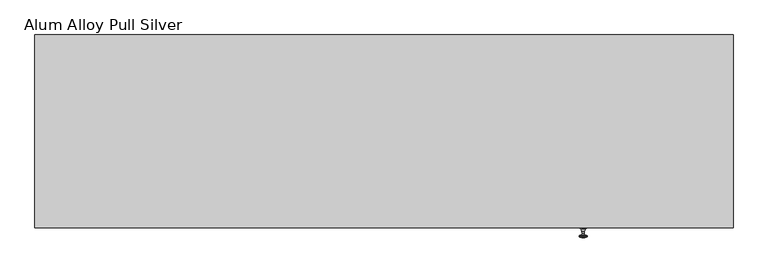
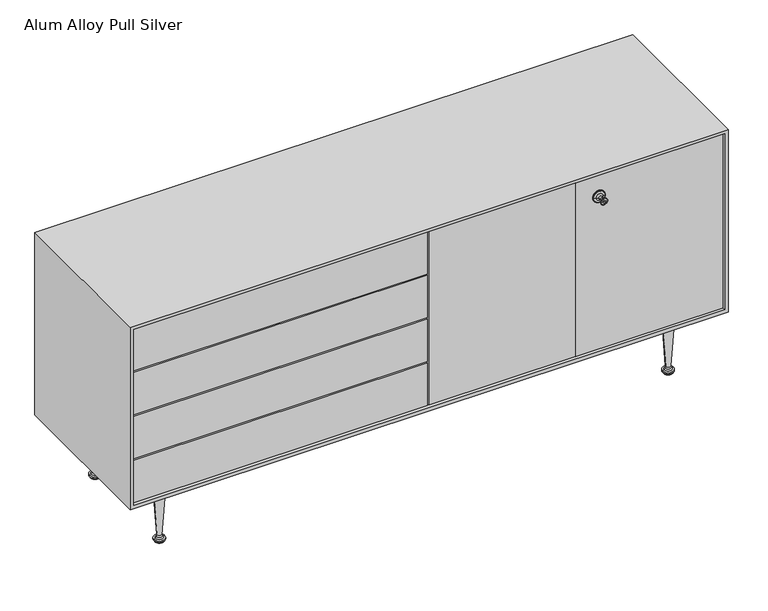
"""IFC4 building model written with IfcOpenShell, lengths in millimetres: furniture geometry, Alum Alloy Pull Silver."""

from ifc_helpers import new_model, si_unit, point, frame, origin, place, context, project, spatial, polyline, circle_curve, ellipse_curve, trimmed, outline, extrude, faceted_brep, source, transform, mapped, element, save
from ifc_brep_helpers import plane_surface, cylinder_surface, revolved_surface, advanced_brep


def alum_alloy_pull_silver_9a217daf(model_context):
    return source(origin(), model_context, "Body", "SolidModel", [
        advanced_brep(
        [(724.408, 158.75, 0.0), (735.7158204, 158.75, 0.0), (713.1001796, 158.75, 0.0), (737.2398203, 158.75, 1.524), (711.5761797, 158.75, 1.524), (737.2398203, 158.75, 3.1750001), (711.5761797, 158.75, 3.1750001), (738.094193, 158.75, 3.1750001), (710.721807, 158.75, 3.1750001), (738.094193, 158.75, 6.3500002), (710.721807, 158.75, 6.3500002), (740.3454356, 158.75, 6.3500002), (708.4705644, 158.75, 6.3500002), (740.3454356, 158.75, 9.525), (708.4705644, 158.75, 9.525), (735.6870081, 158.75, 10.8011076), (713.1289919, 158.75, 10.8011076), (732.2768057, 158.75, 14.2875), (716.5391943, 158.75, 14.2875), (731.0285806, 158.75, 19.05), (717.7874194, 158.75, 19.05), (740.6559999, 158.75, 168.2749939), (708.1600001, 158.75, 168.2749939), (741.9042249, 158.75, 173.0374939), (706.9117751, 158.75, 173.0374939), (745.3144274, 158.75, 176.5238909), (703.5015726, 158.75, 176.5238909), (749.9728549, 158.75, 177.7999939), (698.8431451, 158.75, 177.7999939), (761.4636506, 158.75, 177.7999939), (687.3523494, 158.75, 177.7999939), (761.4636506, 158.75, 184.15), (687.3523494, 158.75, 184.15), (724.408, 158.75, 184.15)],
        [
            (0, 1),
            (1, 2, circle_curve(frame((724.408, 158.75, 0.0), z_axis=(0.0, 0.0, -1.0), x_axis=(1.0, 0.0, 0.0)), 11.3078204)),
            (2, 0),
            (2, 1, circle_curve(frame((724.408, 158.75, 0.0), z_axis=(0.0, 0.0, -1.0), x_axis=(1.0, 0.0, 0.0)), 11.3078204)),
            (1, 3),
            (3, 4, circle_curve(frame((724.408, 158.75, 1.524), z_axis=(0.0, 0.0, -1.0), x_axis=(1.0, 0.0, 0.0)), 12.8318203)),
            (4, 2),
            (4, 3, circle_curve(frame((724.408, 158.75, 1.524), z_axis=(0.0, 0.0, -1.0), x_axis=(1.0, 0.0, 0.0)), 12.8318203)),
            (3, 5),
            (5, 6, circle_curve(frame((724.408, 158.75, 3.1750001), z_axis=(0.0, 0.0, -1.0), x_axis=(1.0, 0.0, 0.0)), 12.8318203)),
            (6, 4),
            (6, 5, circle_curve(frame((724.408, 158.75, 3.1750001), z_axis=(0.0, 0.0, -1.0), x_axis=(1.0, 0.0, 0.0)), 12.8318203)),
            (5, 7),
            (7, 8, circle_curve(frame((724.408, 158.75, 3.1750001), z_axis=(0.0, 0.0, -1.0), x_axis=(1.0, 0.0, 0.0)), 13.686193)),
            (8, 6),
            (8, 7, circle_curve(frame((724.408, 158.75, 3.1750001), z_axis=(0.0, 0.0, -1.0), x_axis=(1.0, 0.0, 0.0)), 13.686193)),
            (7, 9),
            (9, 10, circle_curve(frame((724.408, 158.75, 6.3500002), z_axis=(0.0, 0.0, -1.0), x_axis=(1.0, 0.0, 0.0)), 13.686193)),
            (10, 8),
            (10, 9, circle_curve(frame((724.408, 158.75, 6.3500002), z_axis=(0.0, 0.0, -1.0), x_axis=(1.0, 0.0, 0.0)), 13.686193)),
            (9, 11),
            (11, 12, circle_curve(frame((724.408, 158.75, 6.3500002), z_axis=(0.0, 0.0, -1.0), x_axis=(1.0, 0.0, 0.0)), 15.9374356)),
            (12, 10),
            (12, 11, circle_curve(frame((724.408, 158.75, 6.3500002), z_axis=(0.0, 0.0, -1.0), x_axis=(1.0, 0.0, 0.0)), 15.9374356)),
            (11, 13),
            (13, 14, circle_curve(frame((724.408, 158.75, 9.525), z_axis=(0.0, 0.0, -1.0), x_axis=(1.0, 0.0, 0.0)), 15.9374356)),
            (14, 12),
            (14, 13, circle_curve(frame((724.408, 158.75, 9.525), z_axis=(0.0, 0.0, -1.0), x_axis=(1.0, 0.0, 0.0)), 15.9374356)),
            (13, 15),
            (15, 16, circle_curve(frame((724.408, 158.75, 10.8011076), z_axis=(0.0, 0.0, -1.0), x_axis=(1.0, 0.0, 0.0)), 11.2790081)),
            (16, 14),
            (16, 15, circle_curve(frame((724.408, 158.75, 10.8011076), z_axis=(0.0, 0.0, -1.0), x_axis=(1.0, 0.0, 0.0)), 11.2790081)),
            (15, 17),
            (17, 18, circle_curve(frame((724.408, 158.75, 14.2875), z_axis=(0.0, 0.0, -1.0), x_axis=(1.0, 0.0, 0.0)), 7.8688057)),
            (18, 16),
            (18, 17, circle_curve(frame((724.408, 158.75, 14.2875), z_axis=(0.0, 0.0, -1.0), x_axis=(1.0, 0.0, 0.0)), 7.8688057)),
            (17, 19),
            (19, 20, circle_curve(frame((724.408, 158.75, 19.05), z_axis=(0.0, 0.0, -1.0), x_axis=(1.0, 0.0, 0.0)), 6.6205806)),
            (20, 18),
            (20, 19, circle_curve(frame((724.408, 158.75, 19.05), z_axis=(0.0, 0.0, -1.0), x_axis=(1.0, 0.0, 0.0)), 6.6205806)),
            (19, 21),
            (21, 22, circle_curve(frame((724.408, 158.75, 168.2749939), z_axis=(0.0, 0.0, -1.0), x_axis=(1.0, 0.0, 0.0)), 16.2479999)),
            (22, 20),
            (22, 21, circle_curve(frame((724.408, 158.75, 168.2749939), z_axis=(0.0, 0.0, -1.0), x_axis=(1.0, 0.0, 0.0)), 16.2479999)),
            (21, 23),
            (23, 24, circle_curve(frame((724.408, 158.75, 173.0374939), z_axis=(0.0, 0.0, -1.0), x_axis=(1.0, 0.0, 0.0)), 17.4962249)),
            (24, 22),
            (24, 23, circle_curve(frame((724.408, 158.75, 173.0374939), z_axis=(0.0, 0.0, -1.0), x_axis=(1.0, 0.0, 0.0)), 17.4962249)),
            (23, 25),
            (25, 26, circle_curve(frame((724.408, 158.75, 176.5238909), z_axis=(0.0, 0.0, -1.0), x_axis=(1.0, 0.0, 0.0)), 20.9064274)),
            (26, 24),
            (26, 25, circle_curve(frame((724.408, 158.75, 176.5238909), z_axis=(0.0, 0.0, -1.0), x_axis=(1.0, 0.0, 0.0)), 20.9064274)),
            (25, 27),
            (27, 28, circle_curve(frame((724.408, 158.75, 177.7999939), z_axis=(0.0, 0.0, -1.0), x_axis=(1.0, 0.0, 0.0)), 25.5648549)),
            (28, 26),
            (28, 27, circle_curve(frame((724.408, 158.75, 177.7999939), z_axis=(0.0, 0.0, -1.0), x_axis=(1.0, 0.0, 0.0)), 25.5648549)),
            (27, 29),
            (29, 30, circle_curve(frame((724.408, 158.75, 177.7999939), z_axis=(0.0, 0.0, -1.0), x_axis=(1.0, 0.0, 0.0)), 37.0556506)),
            (30, 28),
            (30, 29, circle_curve(frame((724.408, 158.75, 177.7999939), z_axis=(0.0, 0.0, -1.0), x_axis=(1.0, 0.0, 0.0)), 37.0556506)),
            (29, 31),
            (31, 32, circle_curve(frame((724.408, 158.75, 184.15), z_axis=(0.0, 0.0, -1.0), x_axis=(1.0, 0.0, 0.0)), 37.0556506)),
            (32, 30),
            (32, 31, circle_curve(frame((724.408, 158.75, 184.15), z_axis=(0.0, 0.0, -1.0), x_axis=(1.0, 0.0, 0.0)), 37.0556506)),
            (31, 33),
            (33, 32),
        ],
        [
            plane_surface(frame((724.408, 158.75, 0.0), z_axis=(0.0, 0.0, -1.0), x_axis=(1.0, 0.0, 0.0))),
            revolved_surface(polyline([(737.2398203, 158.75, 1.524), (735.7158204, 158.75, 0.0)]), (724.408, 158.75, 0.0), (0.0, 0.0, -1.0)),
            cylinder_surface(frame((724.408, 158.75, 0.0), z_axis=(0.0, 0.0, -1.0), x_axis=(1.0, 0.0, 0.0)), 12.8318203),
            plane_surface(frame((724.408, 158.75, 3.1750001), z_axis=(0.0, 0.0, -1.0), x_axis=(1.0, 0.0, 0.0))),
            cylinder_surface(frame((724.408, 158.75, 0.0), z_axis=(0.0, 0.0, -1.0), x_axis=(1.0, 0.0, 0.0)), 13.686193),
            plane_surface(frame((724.408, 158.75, 6.3500002), z_axis=(0.0, 0.0, -1.0), x_axis=(1.0, 0.0, 0.0))),
            cylinder_surface(frame((724.408, 158.75, 0.0), z_axis=(0.0, 0.0, -1.0), x_axis=(1.0, 0.0, 0.0)), 15.9374356),
            revolved_surface(polyline([(735.6870081, 158.75, 10.8011076), (740.3454356, 158.75, 9.525)]), (724.408, 158.75, 0.0), (0.0, 0.0, -1.0)),
            revolved_surface(polyline([(732.2768057, 158.75, 14.2875), (735.6870081, 158.75, 10.8011076)]), (724.408, 158.75, 0.0), (0.0, 0.0, -1.0)),
            revolved_surface(polyline([(731.0285806, 158.75, 19.05), (732.2768057, 158.75, 14.2875)]), (724.408, 158.75, 0.0), (0.0, 0.0, -1.0)),
            revolved_surface(polyline([(740.6559999, 158.75, 168.2749939), (731.0285806, 158.75, 19.05)]), (724.408, 158.75, 0.0), (0.0, 0.0, -1.0)),
            revolved_surface(polyline([(741.9042249, 158.75, 173.0374939), (740.6559999, 158.75, 168.2749939)]), (724.408, 158.75, 0.0), (0.0, 0.0, -1.0)),
            revolved_surface(polyline([(745.3144274, 158.75, 176.5238909), (741.9042249, 158.75, 173.0374939)]), (724.408, 158.75, 0.0), (0.0, 0.0, -1.0)),
            revolved_surface(polyline([(749.9728549, 158.75, 177.7999939), (745.3144274, 158.75, 176.5238909)]), (724.408, 158.75, 0.0), (0.0, 0.0, -1.0)),
            plane_surface(frame((724.408, 158.75, 177.7999939), z_axis=(0.0, 0.0, -1.0), x_axis=(1.0, 0.0, 0.0))),
            cylinder_surface(frame((724.408, 158.75, 0.0), z_axis=(0.0, 0.0, -1.0), x_axis=(1.0, 0.0, 0.0)), 37.0556506),
            plane_surface(frame((724.408, 158.75, 184.15), z_axis=(0.0, 0.0, 1.0), x_axis=(1.0, 0.0, 0.0))),
        ],
        [
            (0, [[1, 2, 3]]),
            (0, [[-3, 4, -1]]),
            (1, [[-2, 5, 6, 7]]),
            (1, [[-4, -7, 8, -5]]),
            (2, [[-6, 9, 10, 11]]),
            (2, [[-8, -11, 12, -9]]),
            (3, [[-10, 13, 14, 15]]),
            (3, [[-12, -15, 16, -13]]),
            (4, [[-14, 17, 18, 19]]),
            (4, [[-16, -19, 20, -17]]),
            (5, [[-18, 21, 22, 23]]),
            (5, [[-20, -23, 24, -21]]),
            (6, [[-22, 25, 26, 27]]),
            (6, [[-24, -27, 28, -25]]),
            (7, [[-26, 29, 30, 31]]),
            (7, [[-28, -31, 32, -29]]),
            (8, [[-30, 33, 34, 35]]),
            (8, [[-32, -35, 36, -33]]),
            (9, [[-34, 37, 38, 39]]),
            (9, [[-36, -39, 40, -37]]),
            (10, [[-38, 41, 42, 43]]),
            (10, [[-40, -43, 44, -41]]),
            (11, [[-42, 45, 46, 47]]),
            (11, [[-44, -47, 48, -45]]),
            (12, [[-46, 49, 50, 51]]),
            (12, [[-48, -51, 52, -49]]),
            (13, [[-50, 53, 54, 55]]),
            (13, [[-52, -55, 56, -53]]),
            (14, [[-54, 57, 58, 59]]),
            (14, [[-56, -59, 60, -57]]),
            (15, [[-58, 61, 62, 63]]),
            (15, [[-60, -63, 64, -61]]),
            (16, [[-62, 65, 66]]),
            (16, [[-64, -66, -65]]),
        ],
    ),
        advanced_brep(
        [(-724.408, 158.75, 0.0), (-713.1001796, 158.75, 0.0), (-735.7158204, 158.75, 0.0), (-711.5761797, 158.75, 1.524), (-737.2398203, 158.75, 1.524), (-711.5761797, 158.75, 3.1750001), (-737.2398203, 158.75, 3.1750001), (-710.721807, 158.75, 3.1750001), (-738.094193, 158.75, 3.1750001), (-710.721807, 158.75, 6.3500002), (-738.094193, 158.75, 6.3500002), (-708.4705644, 158.75, 6.3500002), (-740.3454356, 158.75, 6.3500002), (-708.4705644, 158.75, 9.525), (-740.3454356, 158.75, 9.525), (-713.1289919, 158.75, 10.8011076), (-735.6870081, 158.75, 10.8011076), (-716.5391943, 158.75, 14.2875), (-732.2768057, 158.75, 14.2875), (-717.7874194, 158.75, 19.05), (-731.0285806, 158.75, 19.05), (-708.1600001, 158.75, 168.2749939), (-740.6559999, 158.75, 168.2749939), (-706.9117751, 158.75, 173.0374939), (-741.9042249, 158.75, 173.0374939), (-703.5015726, 158.75, 176.5238909), (-745.3144274, 158.75, 176.5238909), (-698.8431451, 158.75, 177.7999939), (-749.9728549, 158.75, 177.7999939), (-687.3523494, 158.75, 177.7999939), (-761.4636506, 158.75, 177.7999939), (-687.3523494, 158.75, 184.15), (-761.4636506, 158.75, 184.15), (-724.408, 158.75, 184.15)],
        [
            (0, 1),
            (1, 2, circle_curve(frame((-724.408, 158.75, 0.0), z_axis=(0.0, 0.0, -1.0), x_axis=(1.0, 0.0, 0.0)), 11.3078204)),
            (2, 0),
            (2, 1, circle_curve(frame((-724.408, 158.75, 0.0), z_axis=(0.0, 0.0, -1.0), x_axis=(1.0, 0.0, 0.0)), 11.3078204)),
            (1, 3),
            (3, 4, circle_curve(frame((-724.408, 158.75, 1.524), z_axis=(0.0, 0.0, -1.0), x_axis=(1.0, 0.0, 0.0)), 12.8318203)),
            (4, 2),
            (4, 3, circle_curve(frame((-724.408, 158.75, 1.524), z_axis=(0.0, 0.0, -1.0), x_axis=(1.0, 0.0, 0.0)), 12.8318203)),
            (3, 5),
            (5, 6, circle_curve(frame((-724.408, 158.75, 3.1750001), z_axis=(0.0, 0.0, -1.0), x_axis=(1.0, 0.0, 0.0)), 12.8318203)),
            (6, 4),
            (6, 5, circle_curve(frame((-724.408, 158.75, 3.1750001), z_axis=(0.0, 0.0, -1.0), x_axis=(1.0, 0.0, 0.0)), 12.8318203)),
            (5, 7),
            (7, 8, circle_curve(frame((-724.408, 158.75, 3.1750001), z_axis=(0.0, 0.0, -1.0), x_axis=(1.0, 0.0, 0.0)), 13.686193)),
            (8, 6),
            (8, 7, circle_curve(frame((-724.408, 158.75, 3.1750001), z_axis=(0.0, 0.0, -1.0), x_axis=(1.0, 0.0, 0.0)), 13.686193)),
            (7, 9),
            (9, 10, circle_curve(frame((-724.408, 158.75, 6.3500002), z_axis=(0.0, 0.0, -1.0), x_axis=(1.0, 0.0, 0.0)), 13.686193)),
            (10, 8),
            (10, 9, circle_curve(frame((-724.408, 158.75, 6.3500002), z_axis=(0.0, 0.0, -1.0), x_axis=(1.0, 0.0, 0.0)), 13.686193)),
            (9, 11),
            (11, 12, circle_curve(frame((-724.408, 158.75, 6.3500002), z_axis=(0.0, 0.0, -1.0), x_axis=(1.0, 0.0, 0.0)), 15.9374356)),
            (12, 10),
            (12, 11, circle_curve(frame((-724.408, 158.75, 6.3500002), z_axis=(0.0, 0.0, -1.0), x_axis=(1.0, 0.0, 0.0)), 15.9374356)),
            (11, 13),
            (13, 14, circle_curve(frame((-724.408, 158.75, 9.525), z_axis=(0.0, 0.0, -1.0), x_axis=(1.0, 0.0, 0.0)), 15.9374356)),
            (14, 12),
            (14, 13, circle_curve(frame((-724.408, 158.75, 9.525), z_axis=(0.0, 0.0, -1.0), x_axis=(1.0, 0.0, 0.0)), 15.9374356)),
            (13, 15),
            (15, 16, circle_curve(frame((-724.408, 158.75, 10.8011076), z_axis=(0.0, 0.0, -1.0), x_axis=(1.0, 0.0, 0.0)), 11.2790081)),
            (16, 14),
            (16, 15, circle_curve(frame((-724.408, 158.75, 10.8011076), z_axis=(0.0, 0.0, -1.0), x_axis=(1.0, 0.0, 0.0)), 11.2790081)),
            (15, 17),
            (17, 18, circle_curve(frame((-724.408, 158.75, 14.2875), z_axis=(0.0, 0.0, -1.0), x_axis=(1.0, 0.0, 0.0)), 7.8688057)),
            (18, 16),
            (18, 17, circle_curve(frame((-724.408, 158.75, 14.2875), z_axis=(0.0, 0.0, -1.0), x_axis=(1.0, 0.0, 0.0)), 7.8688057)),
            (17, 19),
            (19, 20, circle_curve(frame((-724.408, 158.75, 19.05), z_axis=(0.0, 0.0, -1.0), x_axis=(1.0, 0.0, 0.0)), 6.6205806)),
            (20, 18),
            (20, 19, circle_curve(frame((-724.408, 158.75, 19.05), z_axis=(0.0, 0.0, -1.0), x_axis=(1.0, 0.0, 0.0)), 6.6205806)),
            (19, 21),
            (21, 22, circle_curve(frame((-724.408, 158.75, 168.2749939), z_axis=(0.0, 0.0, -1.0), x_axis=(1.0, 0.0, 0.0)), 16.2479999)),
            (22, 20),
            (22, 21, circle_curve(frame((-724.408, 158.75, 168.2749939), z_axis=(0.0, 0.0, -1.0), x_axis=(1.0, 0.0, 0.0)), 16.2479999)),
            (21, 23),
            (23, 24, circle_curve(frame((-724.408, 158.75, 173.0374939), z_axis=(0.0, 0.0, -1.0), x_axis=(1.0, 0.0, 0.0)), 17.4962249)),
            (24, 22),
            (24, 23, circle_curve(frame((-724.408, 158.75, 173.0374939), z_axis=(0.0, 0.0, -1.0), x_axis=(1.0, 0.0, 0.0)), 17.4962249)),
            (23, 25),
            (25, 26, circle_curve(frame((-724.408, 158.75, 176.5238909), z_axis=(0.0, 0.0, -1.0), x_axis=(1.0, 0.0, 0.0)), 20.9064274)),
            (26, 24),
            (26, 25, circle_curve(frame((-724.408, 158.75, 176.5238909), z_axis=(0.0, 0.0, -1.0), x_axis=(1.0, 0.0, 0.0)), 20.9064274)),
            (25, 27),
            (27, 28, circle_curve(frame((-724.408, 158.75, 177.7999939), z_axis=(0.0, 0.0, -1.0), x_axis=(1.0, 0.0, 0.0)), 25.5648549)),
            (28, 26),
            (28, 27, circle_curve(frame((-724.408, 158.75, 177.7999939), z_axis=(0.0, 0.0, -1.0), x_axis=(1.0, 0.0, 0.0)), 25.5648549)),
            (27, 29),
            (29, 30, circle_curve(frame((-724.408, 158.75, 177.7999939), z_axis=(0.0, 0.0, -1.0), x_axis=(1.0, 0.0, 0.0)), 37.0556506)),
            (30, 28),
            (30, 29, circle_curve(frame((-724.408, 158.75, 177.7999939), z_axis=(0.0, 0.0, -1.0), x_axis=(1.0, 0.0, 0.0)), 37.0556506)),
            (29, 31),
            (31, 32, circle_curve(frame((-724.408, 158.75, 184.15), z_axis=(0.0, 0.0, -1.0), x_axis=(1.0, 0.0, 0.0)), 37.0556506)),
            (32, 30),
            (32, 31, circle_curve(frame((-724.408, 158.75, 184.15), z_axis=(0.0, 0.0, -1.0), x_axis=(1.0, 0.0, 0.0)), 37.0556506)),
            (31, 33),
            (33, 32),
        ],
        [
            plane_surface(frame((-724.408, 158.75, 0.0), z_axis=(0.0, 0.0, -1.0), x_axis=(1.0, 0.0, 0.0))),
            revolved_surface(polyline([(-711.5761797, 158.75, 1.524), (-713.1001796, 158.75, 0.0)]), (-724.408, 158.75, 0.0), (0.0, 0.0, -1.0)),
            cylinder_surface(frame((-724.408, 158.75, 0.0), z_axis=(0.0, 0.0, -1.0), x_axis=(1.0, 0.0, 0.0)), 12.8318203),
            plane_surface(frame((-724.408, 158.75, 3.1750001), z_axis=(0.0, 0.0, -1.0), x_axis=(1.0, 0.0, 0.0))),
            cylinder_surface(frame((-724.408, 158.75, 0.0), z_axis=(0.0, 0.0, -1.0), x_axis=(1.0, 0.0, 0.0)), 13.686193),
            plane_surface(frame((-724.408, 158.75, 6.3500002), z_axis=(0.0, 0.0, -1.0), x_axis=(1.0, 0.0, 0.0))),
            cylinder_surface(frame((-724.408, 158.75, 0.0), z_axis=(0.0, 0.0, -1.0), x_axis=(1.0, 0.0, 0.0)), 15.9374356),
            revolved_surface(polyline([(-713.1289919, 158.75, 10.8011076), (-708.4705644, 158.75, 9.525)]), (-724.408, 158.75, 0.0), (0.0, 0.0, -1.0)),
            revolved_surface(polyline([(-716.5391943, 158.75, 14.2875), (-713.1289919, 158.75, 10.8011076)]), (-724.408, 158.75, 0.0), (0.0, 0.0, -1.0)),
            revolved_surface(polyline([(-717.7874194, 158.75, 19.05), (-716.5391943, 158.75, 14.2875)]), (-724.408, 158.75, 0.0), (0.0, 0.0, -1.0)),
            revolved_surface(polyline([(-708.1600001, 158.75, 168.2749939), (-717.7874194, 158.75, 19.05)]), (-724.408, 158.75, 0.0), (0.0, 0.0, -1.0)),
            revolved_surface(polyline([(-706.9117751, 158.75, 173.0374939), (-708.1600001, 158.75, 168.2749939)]), (-724.408, 158.75, 0.0), (0.0, 0.0, -1.0)),
            revolved_surface(polyline([(-703.5015726, 158.75, 176.5238909), (-706.9117751, 158.75, 173.0374939)]), (-724.408, 158.75, 0.0), (0.0, 0.0, -1.0)),
            revolved_surface(polyline([(-698.8431451, 158.75, 177.7999939), (-703.5015726, 158.75, 176.5238909)]), (-724.408, 158.75, 0.0), (0.0, 0.0, -1.0)),
            plane_surface(frame((-724.408, 158.75, 177.7999939), z_axis=(0.0, 0.0, -1.0), x_axis=(1.0, 0.0, 0.0))),
            cylinder_surface(frame((-724.408, 158.75, 0.0), z_axis=(0.0, 0.0, -1.0), x_axis=(1.0, 0.0, 0.0)), 37.0556506),
            plane_surface(frame((-724.408, 158.75, 184.15), z_axis=(0.0, 0.0, 1.0), x_axis=(1.0, 0.0, 0.0))),
        ],
        [
            (0, [[1, 2, 3]]),
            (0, [[-3, 4, -1]]),
            (1, [[-2, 5, 6, 7]]),
            (1, [[-4, -7, 8, -5]]),
            (2, [[-6, 9, 10, 11]]),
            (2, [[-8, -11, 12, -9]]),
            (3, [[-10, 13, 14, 15]]),
            (3, [[-12, -15, 16, -13]]),
            (4, [[-14, 17, 18, 19]]),
            (4, [[-16, -19, 20, -17]]),
            (5, [[-18, 21, 22, 23]]),
            (5, [[-20, -23, 24, -21]]),
            (6, [[-22, 25, 26, 27]]),
            (6, [[-24, -27, 28, -25]]),
            (7, [[-26, 29, 30, 31]]),
            (7, [[-28, -31, 32, -29]]),
            (8, [[-30, 33, 34, 35]]),
            (8, [[-32, -35, 36, -33]]),
            (9, [[-34, 37, 38, 39]]),
            (9, [[-36, -39, 40, -37]]),
            (10, [[-38, 41, 42, 43]]),
            (10, [[-40, -43, 44, -41]]),
            (11, [[-42, 45, 46, 47]]),
            (11, [[-44, -47, 48, -45]]),
            (12, [[-46, 49, 50, 51]]),
            (12, [[-48, -51, 52, -49]]),
            (13, [[-50, 53, 54, 55]]),
            (13, [[-52, -55, 56, -53]]),
            (14, [[-54, 57, 58, 59]]),
            (14, [[-56, -59, 60, -57]]),
            (15, [[-58, 61, 62, 63]]),
            (15, [[-60, -63, 64, -61]]),
            (16, [[-62, 65, 66]]),
            (16, [[-64, -66, -65]]),
        ],
    ),
        advanced_brep(
        [(724.408, -158.75, 0.0), (735.7158204, -158.75, 0.0), (713.1001796, -158.75, 0.0), (737.2398203, -158.75, 1.524), (711.5761797, -158.75, 1.524), (737.2398203, -158.75, 3.1750001), (711.5761797, -158.75, 3.1750001), (738.094193, -158.75, 3.1750001), (710.721807, -158.75, 3.1750001), (738.094193, -158.75, 6.3500002), (710.721807, -158.75, 6.3500002), (740.3454356, -158.75, 6.3500002), (708.4705644, -158.75, 6.3500002), (740.3454356, -158.75, 9.525), (708.4705644, -158.75, 9.525), (735.6870081, -158.75, 10.8011076), (713.1289919, -158.75, 10.8011076), (732.2768057, -158.75, 14.2875), (716.5391943, -158.75, 14.2875), (731.0285806, -158.75, 19.05), (717.7874194, -158.75, 19.05), (740.6559999, -158.75, 168.2749939), (708.1600001, -158.75, 168.2749939), (741.9042249, -158.75, 173.0374939), (706.9117751, -158.75, 173.0374939), (745.3144274, -158.75, 176.5238909), (703.5015726, -158.75, 176.5238909), (749.9728549, -158.75, 177.7999939), (698.8431451, -158.75, 177.7999939), (761.4636506, -158.75, 177.7999939), (687.3523494, -158.75, 177.7999939), (761.4636506, -158.75, 184.15), (687.3523494, -158.75, 184.15), (724.408, -158.75, 184.15)],
        [
            (0, 1),
            (1, 2, circle_curve(frame((724.408, -158.75, 0.0), z_axis=(0.0, 0.0, -1.0), x_axis=(1.0, 0.0, 0.0)), 11.3078204)),
            (2, 0),
            (2, 1, circle_curve(frame((724.408, -158.75, 0.0), z_axis=(0.0, 0.0, -1.0), x_axis=(1.0, 0.0, 0.0)), 11.3078204)),
            (1, 3),
            (3, 4, circle_curve(frame((724.408, -158.75, 1.524), z_axis=(0.0, 0.0, -1.0), x_axis=(1.0, 0.0, 0.0)), 12.8318203)),
            (4, 2),
            (4, 3, circle_curve(frame((724.408, -158.75, 1.524), z_axis=(0.0, 0.0, -1.0), x_axis=(1.0, 0.0, 0.0)), 12.8318203)),
            (3, 5),
            (5, 6, circle_curve(frame((724.408, -158.75, 3.1750001), z_axis=(0.0, 0.0, -1.0), x_axis=(1.0, 0.0, 0.0)), 12.8318203)),
            (6, 4),
            (6, 5, circle_curve(frame((724.408, -158.75, 3.1750001), z_axis=(0.0, 0.0, -1.0), x_axis=(1.0, 0.0, 0.0)), 12.8318203)),
            (5, 7),
            (7, 8, circle_curve(frame((724.408, -158.75, 3.1750001), z_axis=(0.0, 0.0, -1.0), x_axis=(1.0, 0.0, 0.0)), 13.686193)),
            (8, 6),
            (8, 7, circle_curve(frame((724.408, -158.75, 3.1750001), z_axis=(0.0, 0.0, -1.0), x_axis=(1.0, 0.0, 0.0)), 13.686193)),
            (7, 9),
            (9, 10, circle_curve(frame((724.408, -158.75, 6.3500002), z_axis=(0.0, 0.0, -1.0), x_axis=(1.0, 0.0, 0.0)), 13.686193)),
            (10, 8),
            (10, 9, circle_curve(frame((724.408, -158.75, 6.3500002), z_axis=(0.0, 0.0, -1.0), x_axis=(1.0, 0.0, 0.0)), 13.686193)),
            (9, 11),
            (11, 12, circle_curve(frame((724.408, -158.75, 6.3500002), z_axis=(0.0, 0.0, -1.0), x_axis=(1.0, 0.0, 0.0)), 15.9374356)),
            (12, 10),
            (12, 11, circle_curve(frame((724.408, -158.75, 6.3500002), z_axis=(0.0, 0.0, -1.0), x_axis=(1.0, 0.0, 0.0)), 15.9374356)),
            (11, 13),
            (13, 14, circle_curve(frame((724.408, -158.75, 9.525), z_axis=(0.0, 0.0, -1.0), x_axis=(1.0, 0.0, 0.0)), 15.9374356)),
            (14, 12),
            (14, 13, circle_curve(frame((724.408, -158.75, 9.525), z_axis=(0.0, 0.0, -1.0), x_axis=(1.0, 0.0, 0.0)), 15.9374356)),
            (13, 15),
            (15, 16, circle_curve(frame((724.408, -158.75, 10.8011076), z_axis=(0.0, 0.0, -1.0), x_axis=(1.0, 0.0, 0.0)), 11.2790081)),
            (16, 14),
            (16, 15, circle_curve(frame((724.408, -158.75, 10.8011076), z_axis=(0.0, 0.0, -1.0), x_axis=(1.0, 0.0, 0.0)), 11.2790081)),
            (15, 17),
            (17, 18, circle_curve(frame((724.408, -158.75, 14.2875), z_axis=(0.0, 0.0, -1.0), x_axis=(1.0, 0.0, 0.0)), 7.8688057)),
            (18, 16),
            (18, 17, circle_curve(frame((724.408, -158.75, 14.2875), z_axis=(0.0, 0.0, -1.0), x_axis=(1.0, 0.0, 0.0)), 7.8688057)),
            (17, 19),
            (19, 20, circle_curve(frame((724.408, -158.75, 19.05), z_axis=(0.0, 0.0, -1.0), x_axis=(1.0, 0.0, 0.0)), 6.6205806)),
            (20, 18),
            (20, 19, circle_curve(frame((724.408, -158.75, 19.05), z_axis=(0.0, 0.0, -1.0), x_axis=(1.0, 0.0, 0.0)), 6.6205806)),
            (19, 21),
            (21, 22, circle_curve(frame((724.408, -158.75, 168.2749939), z_axis=(0.0, 0.0, -1.0), x_axis=(1.0, 0.0, 0.0)), 16.2479999)),
            (22, 20),
            (22, 21, circle_curve(frame((724.408, -158.75, 168.2749939), z_axis=(0.0, 0.0, -1.0), x_axis=(1.0, 0.0, 0.0)), 16.2479999)),
            (21, 23),
            (23, 24, circle_curve(frame((724.408, -158.75, 173.0374939), z_axis=(0.0, 0.0, -1.0), x_axis=(1.0, 0.0, 0.0)), 17.4962249)),
            (24, 22),
            (24, 23, circle_curve(frame((724.408, -158.75, 173.0374939), z_axis=(0.0, 0.0, -1.0), x_axis=(1.0, 0.0, 0.0)), 17.4962249)),
            (23, 25),
            (25, 26, circle_curve(frame((724.408, -158.75, 176.5238909), z_axis=(0.0, 0.0, -1.0), x_axis=(1.0, 0.0, 0.0)), 20.9064274)),
            (26, 24),
            (26, 25, circle_curve(frame((724.408, -158.75, 176.5238909), z_axis=(0.0, 0.0, -1.0), x_axis=(1.0, 0.0, 0.0)), 20.9064274)),
            (25, 27),
            (27, 28, circle_curve(frame((724.408, -158.75, 177.7999939), z_axis=(0.0, 0.0, -1.0), x_axis=(1.0, 0.0, 0.0)), 25.5648549)),
            (28, 26),
            (28, 27, circle_curve(frame((724.408, -158.75, 177.7999939), z_axis=(0.0, 0.0, -1.0), x_axis=(1.0, 0.0, 0.0)), 25.5648549)),
            (27, 29),
            (29, 30, circle_curve(frame((724.408, -158.75, 177.7999939), z_axis=(0.0, 0.0, -1.0), x_axis=(1.0, 0.0, 0.0)), 37.0556506)),
            (30, 28),
            (30, 29, circle_curve(frame((724.408, -158.75, 177.7999939), z_axis=(0.0, 0.0, -1.0), x_axis=(1.0, 0.0, 0.0)), 37.0556506)),
            (29, 31),
            (31, 32, circle_curve(frame((724.408, -158.75, 184.15), z_axis=(0.0, 0.0, -1.0), x_axis=(1.0, 0.0, 0.0)), 37.0556506)),
            (32, 30),
            (32, 31, circle_curve(frame((724.408, -158.75, 184.15), z_axis=(0.0, 0.0, -1.0), x_axis=(1.0, 0.0, 0.0)), 37.0556506)),
            (31, 33),
            (33, 32),
        ],
        [
            plane_surface(frame((724.408, -158.75, 0.0), z_axis=(0.0, 0.0, -1.0), x_axis=(1.0, 0.0, 0.0))),
            revolved_surface(polyline([(737.2398203, -158.75, 1.524), (735.7158204, -158.75, 0.0)]), (724.408, -158.75, 0.0), (0.0, 0.0, -1.0)),
            cylinder_surface(frame((724.408, -158.75, 0.0), z_axis=(0.0, 0.0, -1.0), x_axis=(1.0, 0.0, 0.0)), 12.8318203),
            plane_surface(frame((724.408, -158.75, 3.1750001), z_axis=(0.0, 0.0, -1.0), x_axis=(1.0, 0.0, 0.0))),
            cylinder_surface(frame((724.408, -158.75, 0.0), z_axis=(0.0, 0.0, -1.0), x_axis=(1.0, 0.0, 0.0)), 13.686193),
            plane_surface(frame((724.408, -158.75, 6.3500002), z_axis=(0.0, 0.0, -1.0), x_axis=(1.0, 0.0, 0.0))),
            cylinder_surface(frame((724.408, -158.75, 0.0), z_axis=(0.0, 0.0, -1.0), x_axis=(1.0, 0.0, 0.0)), 15.9374356),
            revolved_surface(polyline([(735.6870081, -158.75, 10.8011076), (740.3454356, -158.75, 9.525)]), (724.408, -158.75, 0.0), (0.0, 0.0, -1.0)),
            revolved_surface(polyline([(732.2768057, -158.75, 14.2875), (735.6870081, -158.75, 10.8011076)]), (724.408, -158.75, 0.0), (0.0, 0.0, -1.0)),
            revolved_surface(polyline([(731.0285806, -158.75, 19.05), (732.2768057, -158.75, 14.2875)]), (724.408, -158.75, 0.0), (0.0, 0.0, -1.0)),
            revolved_surface(polyline([(740.6559999, -158.75, 168.2749939), (731.0285806, -158.75, 19.05)]), (724.408, -158.75, 0.0), (0.0, 0.0, -1.0)),
            revolved_surface(polyline([(741.9042249, -158.75, 173.0374939), (740.6559999, -158.75, 168.2749939)]), (724.408, -158.75, 0.0), (0.0, 0.0, -1.0)),
            revolved_surface(polyline([(745.3144274, -158.75, 176.5238909), (741.9042249, -158.75, 173.0374939)]), (724.408, -158.75, 0.0), (0.0, 0.0, -1.0)),
            revolved_surface(polyline([(749.9728549, -158.75, 177.7999939), (745.3144274, -158.75, 176.5238909)]), (724.408, -158.75, 0.0), (0.0, 0.0, -1.0)),
            plane_surface(frame((724.408, -158.75, 177.7999939), z_axis=(0.0, 0.0, -1.0), x_axis=(1.0, 0.0, 0.0))),
            cylinder_surface(frame((724.408, -158.75, 0.0), z_axis=(0.0, 0.0, -1.0), x_axis=(1.0, 0.0, 0.0)), 37.0556506),
            plane_surface(frame((724.408, -158.75, 184.15), z_axis=(0.0, 0.0, 1.0), x_axis=(1.0, 0.0, 0.0))),
        ],
        [
            (0, [[1, 2, 3]]),
            (0, [[-3, 4, -1]]),
            (1, [[-2, 5, 6, 7]]),
            (1, [[-4, -7, 8, -5]]),
            (2, [[-6, 9, 10, 11]]),
            (2, [[-8, -11, 12, -9]]),
            (3, [[-10, 13, 14, 15]]),
            (3, [[-12, -15, 16, -13]]),
            (4, [[-14, 17, 18, 19]]),
            (4, [[-16, -19, 20, -17]]),
            (5, [[-18, 21, 22, 23]]),
            (5, [[-20, -23, 24, -21]]),
            (6, [[-22, 25, 26, 27]]),
            (6, [[-24, -27, 28, -25]]),
            (7, [[-26, 29, 30, 31]]),
            (7, [[-28, -31, 32, -29]]),
            (8, [[-30, 33, 34, 35]]),
            (8, [[-32, -35, 36, -33]]),
            (9, [[-34, 37, 38, 39]]),
            (9, [[-36, -39, 40, -37]]),
            (10, [[-38, 41, 42, 43]]),
            (10, [[-40, -43, 44, -41]]),
            (11, [[-42, 45, 46, 47]]),
            (11, [[-44, -47, 48, -45]]),
            (12, [[-46, 49, 50, 51]]),
            (12, [[-48, -51, 52, -49]]),
            (13, [[-50, 53, 54, 55]]),
            (13, [[-52, -55, 56, -53]]),
            (14, [[-54, 57, 58, 59]]),
            (14, [[-56, -59, 60, -57]]),
            (15, [[-58, 61, 62, 63]]),
            (15, [[-60, -63, 64, -61]]),
            (16, [[-62, 65, 66]]),
            (16, [[-64, -66, -65]]),
        ],
    ),
        advanced_brep(
        [(-724.408, -158.75, 0.0), (-713.1001796, -158.75, 0.0), (-735.7158204, -158.75, 0.0), (-711.5761797, -158.75, 1.524), (-737.2398203, -158.75, 1.524), (-711.5761797, -158.75, 3.1750001), (-737.2398203, -158.75, 3.1750001), (-710.721807, -158.75, 3.1750001), (-738.094193, -158.75, 3.1750001), (-710.721807, -158.75, 6.3500002), (-738.094193, -158.75, 6.3500002), (-708.4705644, -158.75, 6.3500002), (-740.3454356, -158.75, 6.3500002), (-708.4705644, -158.75, 9.525), (-740.3454356, -158.75, 9.525), (-713.1289919, -158.75, 10.8011076), (-735.6870081, -158.75, 10.8011076), (-716.5391943, -158.75, 14.2875), (-732.2768057, -158.75, 14.2875), (-717.7874194, -158.75, 19.05), (-731.0285806, -158.75, 19.05), (-708.1600001, -158.75, 168.2749939), (-740.6559999, -158.75, 168.2749939), (-706.9117751, -158.75, 173.0374939), (-741.9042249, -158.75, 173.0374939), (-703.5015726, -158.75, 176.5238909), (-745.3144274, -158.75, 176.5238909), (-698.8431451, -158.75, 177.7999939), (-749.9728549, -158.75, 177.7999939), (-687.3523494, -158.75, 177.7999939), (-761.4636506, -158.75, 177.7999939), (-687.3523494, -158.75, 184.15), (-761.4636506, -158.75, 184.15), (-724.408, -158.75, 184.15)],
        [
            (0, 1),
            (1, 2, circle_curve(frame((-724.408, -158.75, 0.0), z_axis=(0.0, 0.0, -1.0), x_axis=(1.0, 0.0, 0.0)), 11.3078204)),
            (2, 0),
            (2, 1, circle_curve(frame((-724.408, -158.75, 0.0), z_axis=(0.0, 0.0, -1.0), x_axis=(1.0, 0.0, 0.0)), 11.3078204)),
            (1, 3),
            (3, 4, circle_curve(frame((-724.408, -158.75, 1.524), z_axis=(0.0, 0.0, -1.0), x_axis=(1.0, 0.0, 0.0)), 12.8318203)),
            (4, 2),
            (4, 3, circle_curve(frame((-724.408, -158.75, 1.524), z_axis=(0.0, 0.0, -1.0), x_axis=(1.0, 0.0, 0.0)), 12.8318203)),
            (3, 5),
            (5, 6, circle_curve(frame((-724.408, -158.75, 3.1750001), z_axis=(0.0, 0.0, -1.0), x_axis=(1.0, 0.0, 0.0)), 12.8318203)),
            (6, 4),
            (6, 5, circle_curve(frame((-724.408, -158.75, 3.1750001), z_axis=(0.0, 0.0, -1.0), x_axis=(1.0, 0.0, 0.0)), 12.8318203)),
            (5, 7),
            (7, 8, circle_curve(frame((-724.408, -158.75, 3.1750001), z_axis=(0.0, 0.0, -1.0), x_axis=(1.0, 0.0, 0.0)), 13.686193)),
            (8, 6),
            (8, 7, circle_curve(frame((-724.408, -158.75, 3.1750001), z_axis=(0.0, 0.0, -1.0), x_axis=(1.0, 0.0, 0.0)), 13.686193)),
            (7, 9),
            (9, 10, circle_curve(frame((-724.408, -158.75, 6.3500002), z_axis=(0.0, 0.0, -1.0), x_axis=(1.0, 0.0, 0.0)), 13.686193)),
            (10, 8),
            (10, 9, circle_curve(frame((-724.408, -158.75, 6.3500002), z_axis=(0.0, 0.0, -1.0), x_axis=(1.0, 0.0, 0.0)), 13.686193)),
            (9, 11),
            (11, 12, circle_curve(frame((-724.408, -158.75, 6.3500002), z_axis=(0.0, 0.0, -1.0), x_axis=(1.0, 0.0, 0.0)), 15.9374356)),
            (12, 10),
            (12, 11, circle_curve(frame((-724.408, -158.75, 6.3500002), z_axis=(0.0, 0.0, -1.0), x_axis=(1.0, 0.0, 0.0)), 15.9374356)),
            (11, 13),
            (13, 14, circle_curve(frame((-724.408, -158.75, 9.525), z_axis=(0.0, 0.0, -1.0), x_axis=(1.0, 0.0, 0.0)), 15.9374356)),
            (14, 12),
            (14, 13, circle_curve(frame((-724.408, -158.75, 9.525), z_axis=(0.0, 0.0, -1.0), x_axis=(1.0, 0.0, 0.0)), 15.9374356)),
            (13, 15),
            (15, 16, circle_curve(frame((-724.408, -158.75, 10.8011076), z_axis=(0.0, 0.0, -1.0), x_axis=(1.0, 0.0, 0.0)), 11.2790081)),
            (16, 14),
            (16, 15, circle_curve(frame((-724.408, -158.75, 10.8011076), z_axis=(0.0, 0.0, -1.0), x_axis=(1.0, 0.0, 0.0)), 11.2790081)),
            (15, 17),
            (17, 18, circle_curve(frame((-724.408, -158.75, 14.2875), z_axis=(0.0, 0.0, -1.0), x_axis=(1.0, 0.0, 0.0)), 7.8688057)),
            (18, 16),
            (18, 17, circle_curve(frame((-724.408, -158.75, 14.2875), z_axis=(0.0, 0.0, -1.0), x_axis=(1.0, 0.0, 0.0)), 7.8688057)),
            (17, 19),
            (19, 20, circle_curve(frame((-724.408, -158.75, 19.05), z_axis=(0.0, 0.0, -1.0), x_axis=(1.0, 0.0, 0.0)), 6.6205806)),
            (20, 18),
            (20, 19, circle_curve(frame((-724.408, -158.75, 19.05), z_axis=(0.0, 0.0, -1.0), x_axis=(1.0, 0.0, 0.0)), 6.6205806)),
            (19, 21),
            (21, 22, circle_curve(frame((-724.408, -158.75, 168.2749939), z_axis=(0.0, 0.0, -1.0), x_axis=(1.0, 0.0, 0.0)), 16.2479999)),
            (22, 20),
            (22, 21, circle_curve(frame((-724.408, -158.75, 168.2749939), z_axis=(0.0, 0.0, -1.0), x_axis=(1.0, 0.0, 0.0)), 16.2479999)),
            (21, 23),
            (23, 24, circle_curve(frame((-724.408, -158.75, 173.0374939), z_axis=(0.0, 0.0, -1.0), x_axis=(1.0, 0.0, 0.0)), 17.4962249)),
            (24, 22),
            (24, 23, circle_curve(frame((-724.408, -158.75, 173.0374939), z_axis=(0.0, 0.0, -1.0), x_axis=(1.0, 0.0, 0.0)), 17.4962249)),
            (23, 25),
            (25, 26, circle_curve(frame((-724.408, -158.75, 176.5238909), z_axis=(0.0, 0.0, -1.0), x_axis=(1.0, 0.0, 0.0)), 20.9064274)),
            (26, 24),
            (26, 25, circle_curve(frame((-724.408, -158.75, 176.5238909), z_axis=(0.0, 0.0, -1.0), x_axis=(1.0, 0.0, 0.0)), 20.9064274)),
            (25, 27),
            (27, 28, circle_curve(frame((-724.408, -158.75, 177.7999939), z_axis=(0.0, 0.0, -1.0), x_axis=(1.0, 0.0, 0.0)), 25.5648549)),
            (28, 26),
            (28, 27, circle_curve(frame((-724.408, -158.75, 177.7999939), z_axis=(0.0, 0.0, -1.0), x_axis=(1.0, 0.0, 0.0)), 25.5648549)),
            (27, 29),
            (29, 30, circle_curve(frame((-724.408, -158.75, 177.7999939), z_axis=(0.0, 0.0, -1.0), x_axis=(1.0, 0.0, 0.0)), 37.0556506)),
            (30, 28),
            (30, 29, circle_curve(frame((-724.408, -158.75, 177.7999939), z_axis=(0.0, 0.0, -1.0), x_axis=(1.0, 0.0, 0.0)), 37.0556506)),
            (29, 31),
            (31, 32, circle_curve(frame((-724.408, -158.75, 184.15), z_axis=(0.0, 0.0, -1.0), x_axis=(1.0, 0.0, 0.0)), 37.0556506)),
            (32, 30),
            (32, 31, circle_curve(frame((-724.408, -158.75, 184.15), z_axis=(0.0, 0.0, -1.0), x_axis=(1.0, 0.0, 0.0)), 37.0556506)),
            (31, 33),
            (33, 32),
        ],
        [
            plane_surface(frame((-724.408, -158.75, 0.0), z_axis=(0.0, 0.0, -1.0), x_axis=(1.0, 0.0, 0.0))),
            revolved_surface(polyline([(-711.5761797, -158.75, 1.524), (-713.1001796, -158.75, 0.0)]), (-724.408, -158.75, 0.0), (0.0, 0.0, -1.0)),
            cylinder_surface(frame((-724.408, -158.75, 0.0), z_axis=(0.0, 0.0, -1.0), x_axis=(1.0, 0.0, 0.0)), 12.8318203),
            plane_surface(frame((-724.408, -158.75, 3.1750001), z_axis=(0.0, 0.0, -1.0), x_axis=(1.0, 0.0, 0.0))),
            cylinder_surface(frame((-724.408, -158.75, 0.0), z_axis=(0.0, 0.0, -1.0), x_axis=(1.0, 0.0, 0.0)), 13.686193),
            plane_surface(frame((-724.408, -158.75, 6.3500002), z_axis=(0.0, 0.0, -1.0), x_axis=(1.0, 0.0, 0.0))),
            cylinder_surface(frame((-724.408, -158.75, 0.0), z_axis=(0.0, 0.0, -1.0), x_axis=(1.0, 0.0, 0.0)), 15.9374356),
            revolved_surface(polyline([(-713.1289919, -158.75, 10.8011076), (-708.4705644, -158.75, 9.525)]), (-724.408, -158.75, 0.0), (0.0, 0.0, -1.0)),
            revolved_surface(polyline([(-716.5391943, -158.75, 14.2875), (-713.1289919, -158.75, 10.8011076)]), (-724.408, -158.75, 0.0), (0.0, 0.0, -1.0)),
            revolved_surface(polyline([(-717.7874194, -158.75, 19.05), (-716.5391943, -158.75, 14.2875)]), (-724.408, -158.75, 0.0), (0.0, 0.0, -1.0)),
            revolved_surface(polyline([(-708.1600001, -158.75, 168.2749939), (-717.7874194, -158.75, 19.05)]), (-724.408, -158.75, 0.0), (0.0, 0.0, -1.0)),
            revolved_surface(polyline([(-706.9117751, -158.75, 173.0374939), (-708.1600001, -158.75, 168.2749939)]), (-724.408, -158.75, 0.0), (0.0, 0.0, -1.0)),
            revolved_surface(polyline([(-703.5015726, -158.75, 176.5238909), (-706.9117751, -158.75, 173.0374939)]), (-724.408, -158.75, 0.0), (0.0, 0.0, -1.0)),
            revolved_surface(polyline([(-698.8431451, -158.75, 177.7999939), (-703.5015726, -158.75, 176.5238909)]), (-724.408, -158.75, 0.0), (0.0, 0.0, -1.0)),
            plane_surface(frame((-724.408, -158.75, 177.7999939), z_axis=(0.0, 0.0, -1.0), x_axis=(1.0, 0.0, 0.0))),
            cylinder_surface(frame((-724.408, -158.75, 0.0), z_axis=(0.0, 0.0, -1.0), x_axis=(1.0, 0.0, 0.0)), 37.0556506),
            plane_surface(frame((-724.408, -158.75, 184.15), z_axis=(0.0, 0.0, 1.0), x_axis=(1.0, 0.0, 0.0))),
        ],
        [
            (0, [[1, 2, 3]]),
            (0, [[-3, 4, -1]]),
            (1, [[-2, 5, 6, 7]]),
            (1, [[-4, -7, 8, -5]]),
            (2, [[-6, 9, 10, 11]]),
            (2, [[-8, -11, 12, -9]]),
            (3, [[-10, 13, 14, 15]]),
            (3, [[-12, -15, 16, -13]]),
            (4, [[-14, 17, 18, 19]]),
            (4, [[-16, -19, 20, -17]]),
            (5, [[-18, 21, 22, 23]]),
            (5, [[-20, -23, 24, -21]]),
            (6, [[-22, 25, 26, 27]]),
            (6, [[-24, -27, 28, -25]]),
            (7, [[-26, 29, 30, 31]]),
            (7, [[-28, -31, 32, -29]]),
            (8, [[-30, 33, 34, 35]]),
            (8, [[-32, -35, 36, -33]]),
            (9, [[-34, 37, 38, 39]]),
            (9, [[-36, -39, 40, -37]]),
            (10, [[-38, 41, 42, 43]]),
            (10, [[-40, -43, 44, -41]]),
            (11, [[-42, 45, 46, 47]]),
            (11, [[-44, -47, 48, -45]]),
            (12, [[-46, 49, 50, 51]]),
            (12, [[-48, -51, 52, -49]]),
            (13, [[-50, 53, 54, 55]]),
            (13, [[-52, -55, 56, -53]]),
            (14, [[-54, 57, 58, 59]]),
            (14, [[-56, -59, 60, -57]]),
            (15, [[-58, 61, 62, 63]]),
            (15, [[-60, -63, 64, -61]]),
            (16, [[-62, 65, 66]]),
            (16, [[-64, -66, -65]]),
        ],
    ),
        extrude(outline(polyline([(419.74008, -229.21214), (1.63068, -229.21214), (1.63068, -210.16214), (419.74008, -210.16214), (419.74008, -229.21214)])), frame((0.0, 0.0, 196.85), z_axis=(0.0, 0.0, 1.0), x_axis=(1.0, 0.0, 0.0)), (0.0, 0.0, 1.0), 525.4117),
        extrude(outline(polyline([(839.4954, -229.21214), (421.39108, -229.21214), (421.39108, -210.16214), (839.4954, -210.16214), (839.4954, -229.21214)])), frame((0.0, 0.0, 196.85), z_axis=(0.0, 0.0, 1.0), x_axis=(1.0, 0.0, 0.0)), (0.0, 0.0, 1.0), 525.4117),
        extrude(outline(polyline([(-1.63068, -229.21214), (-839.4954, -229.21214), (-839.4954, -210.16214), (-1.63068, -210.16214), (-1.63068, -229.21214)])), frame((0.0, 0.0, 593.7377), z_axis=(0.0, 0.0, 1.0), x_axis=(1.0, 0.0, 0.0)), (0.0, 0.0, 1.0), 128.524),
        extrude(outline(polyline([(-1.63068, -229.21214), (-839.4954, -229.21214), (-839.4954, -210.16214), (-1.63068, -210.16214), (-1.63068, -229.21214)])), frame((0.0, 0.0, 196.85), z_axis=(0.0, 0.0, 1.0), x_axis=(1.0, 0.0, 0.0)), (0.0, 0.0, 1.0), 128.524),
        extrude(outline(polyline([(-1.63068, -229.21214), (-839.4954, -229.21214), (-839.4954, -210.16214), (-1.63068, -210.16214), (-1.63068, -229.21214)])), frame((0.0, 0.0, 461.9625), z_axis=(0.0, 0.0, 1.0), x_axis=(1.0, 0.0, 0.0)), (0.0, 0.0, 1.0), 128.524),
        extrude(outline(polyline([(-1.63068, -229.21214), (-839.4954, -229.21214), (-839.4954, -210.16214), (-1.63068, -210.16214), (-1.63068, -229.21214)])), frame((0.0, 0.0, 329.40752), z_axis=(0.0, 0.0, 1.0), x_axis=(1.0, 0.0, 0.0)), (0.0, 0.0, 1.0), 128.52146),
        faceted_brep([(-851.408, -234.95, 184.15), (851.408, -234.95, 184.15), (851.408, -234.95, 733.552), (-851.408, -234.95, 733.552), (-841.883, -234.95, 724.027), (841.883, -234.95, 724.027), (841.883, -234.95, 193.675), (-841.883, -234.95, 193.675), (-851.408, 234.95, 184.15), (-851.408, 234.95, 733.552), (851.408, 234.95, 733.552), (851.408, 234.95, 184.15), (832.358, 234.95, 714.502), (-832.358, 234.95, 714.502), (-832.358, 234.95, 203.2), (832.358, 234.95, 203.2), (832.358, -209.51952, 203.2), (832.358, -209.51952, 714.502), (-832.358, -209.51952, 203.2), (-832.358, -209.51952, 714.502), (841.883, -209.51952, 724.027), (-841.883, -209.51952, 724.027), (-841.883, -209.51952, 193.675), (841.883, -209.51952, 193.675)], [[[0, 1, 2, 3], [4, 5, 6, 7]], [[8, 9, 10, 11], [12, 13, 14, 15]], [[1, 0, 8, 11]], [[2, 1, 11, 10]], [[3, 2, 10, 9]], [[0, 3, 9, 8]], [[12, 15, 16, 17]], [[15, 14, 18, 16]], [[14, 13, 19, 18]], [[13, 12, 17, 19]], [[20, 21, 22, 23], [17, 16, 18, 19]], [[21, 20, 5, 4]], [[22, 21, 4, 7]], [[23, 22, 7, 6]], [[20, 23, 6, 5]]]),
        extrude(outline(polyline([(-832.358, -209.51952), (-832.358, 233.3625), (832.358, 233.3625), (832.358, -209.51952), (-832.358, -209.51952)])), frame((0.0, 0.0, 203.2), z_axis=(0.0, 0.0, 1.0), x_axis=(1.0, 0.0, 0.0)), (0.0, 0.0, 1.0), 511.302),
        advanced_brep(
        [(476.3766063, -257.8192238, 657.9997), (494.9905137, -257.8192238, 657.9997), (490.4264754, -259.1398554, 657.9997), (480.9406446, -259.1398554, 657.9997), (476.5066492, -255.2710872, 657.9997), (494.8604708, -255.2710872, 657.9997), (481.1458574, -253.301007, 657.9997), (490.2212626, -253.301007, 657.9997), (482.9947343, -250.2783323, 657.9997), (488.3723857, -250.2783323, 657.9997), (482.6189215, -245.0166622, 657.9997), (488.7481985, -245.0166622, 657.9997), (480.6724197, -239.1137522, 657.9997), (490.6947003, -239.1137522, 657.9997), (476.1578696, -234.8414839, 657.9997), (495.2092504, -234.8414839, 657.9997), (470.1566734, -233.2231597, 657.9997), (501.2104466, -233.2231597, 657.9997), (468.7385551, -232.6357682, 657.9997), (502.6285649, -232.6357682, 657.9997), (468.1511636, -231.2176499, 657.9997), (503.2159564, -231.2176499, 657.9997), (468.1511636, -229.21214, 657.9997), (503.2159564, -229.21214, 657.9997), (485.68356, -229.21214, 657.9997), (485.68356, -259.5867943, 657.9997)],
        [
            (0, 1, circle_curve(frame((485.68356, -257.8192238, 657.9997), z_axis=(0.0, -1.0, 0.0), x_axis=(1.0, 0.0, 0.0)), 9.3069537)),
            (1, 2),
            (2, 3, circle_curve(frame((485.68356, -259.1398554, 657.9997), z_axis=(0.0, 1.0, 0.0), x_axis=(1.0, 0.0, 0.0)), 4.7429154)),
            (3, 0),
            (1, 0, circle_curve(frame((485.68356, -257.8192238, 657.9997), z_axis=(0.0, -1.0, 0.0), x_axis=(1.0, 0.0, 0.0)), 9.3069537)),
            (3, 2, circle_curve(frame((485.68356, -259.1398554, 657.9997), z_axis=(0.0, 1.0, 0.0), x_axis=(1.0, 0.0, 0.0)), 4.7429154)),
            (4, 5, circle_curve(frame((485.68356, -255.2710872, 657.9997), z_axis=(0.0, -1.0, 0.0), x_axis=(1.0, 0.0, 0.0)), 9.1769108)),
            (5, 1, circle_curve(frame((494.1450145, -256.5849868, 657.9997), z_axis=(0.0, 0.0, -1.0), x_axis=(-1.0, 0.0, 0.0)), 1.4960648)),
            (0, 4, circle_curve(frame((477.2221055, -256.5849868, 657.9997), z_axis=(0.0, 0.0, -1.0), x_axis=(1.0, 0.0, 0.0)), 1.4960648)),
            (5, 4, circle_curve(frame((485.68356, -255.2710872, 657.9997), z_axis=(0.0, -1.0, 0.0), x_axis=(1.0, 0.0, 0.0)), 9.1769108)),
            (6, 7, circle_curve(frame((485.68356, -253.301007, 657.9997), z_axis=(0.0, -1.0, 0.0), x_axis=(1.0, 0.0, 0.0)), 4.5377026)),
            (7, 5),
            (4, 6),
            (7, 6, circle_curve(frame((485.68356, -253.301007, 657.9997), z_axis=(0.0, -1.0, 0.0), x_axis=(1.0, 0.0, 0.0)), 4.5377026)),
            (8, 9, circle_curve(frame((485.68356, -250.2783323, 657.9997), z_axis=(0.0, -1.0, 0.0), x_axis=(1.0, 0.0, 0.0)), 2.6888257)),
            (9, 7, circle_curve(frame((491.4126531, -250.4954823, 657.9997), z_axis=(0.0, 0.0, 1.0), x_axis=(-1.0, 0.0, 0.0)), 3.0480125)),
            (6, 8, circle_curve(frame((479.9544669, -250.4954823, 657.9997), z_axis=(0.0, 0.0, 1.0), x_axis=(1.0, 0.0, 0.0)), 3.0480125)),
            (9, 8, circle_curve(frame((485.68356, -250.2783323, 657.9997), z_axis=(0.0, -1.0, 0.0), x_axis=(1.0, 0.0, 0.0)), 2.6888257)),
            (10, 11, circle_curve(frame((485.68356, -245.0166622, 657.9997), z_axis=(0.0, -1.0, 0.0), x_axis=(1.0, 0.0, 0.0)), 3.0646385)),
            (11, 9),
            (8, 10),
            (11, 10, circle_curve(frame((485.68356, -245.0166622, 657.9997), z_axis=(0.0, -1.0, 0.0), x_axis=(1.0, 0.0, 0.0)), 3.0646385)),
            (12, 13, circle_curve(frame((485.68356, -239.1137522, 657.9997), z_axis=(0.0, -1.0, 0.0), x_axis=(1.0, 0.0, 0.0)), 5.0111403)),
            (13, 11),
            (10, 12),
            (13, 12, circle_curve(frame((485.68356, -239.1137522, 657.9997), z_axis=(0.0, -1.0, 0.0), x_axis=(1.0, 0.0, 0.0)), 5.0111403)),
            (14, 15, circle_curve(frame((485.68356, -234.8414839, 657.9997), z_axis=(0.0, -1.0, 0.0), x_axis=(1.0, 0.0, 0.0)), 9.5256904)),
            (15, 13),
            (12, 14),
            (15, 14, circle_curve(frame((485.68356, -234.8414839, 657.9997), z_axis=(0.0, -1.0, 0.0), x_axis=(1.0, 0.0, 0.0)), 9.5256904)),
            (16, 17, circle_curve(frame((485.68356, -233.2231597, 657.9997), z_axis=(0.0, -1.0, 0.0), x_axis=(1.0, 0.0, 0.0)), 15.5268866)),
            (17, 15),
            (14, 16),
            (17, 16, circle_curve(frame((485.68356, -233.2231597, 657.9997), z_axis=(0.0, -1.0, 0.0), x_axis=(1.0, 0.0, 0.0)), 15.5268866)),
            (18, 19, circle_curve(frame((485.68356, -232.6357682, 657.9997), z_axis=(0.0, -1.0, 0.0), x_axis=(1.0, 0.0, 0.0)), 16.9450049)),
            (19, 17),
            (16, 18),
            (19, 18, circle_curve(frame((485.68356, -232.6357682, 657.9997), z_axis=(0.0, -1.0, 0.0), x_axis=(1.0, 0.0, 0.0)), 16.9450049)),
            (20, 21, circle_curve(frame((485.68356, -231.2176499, 657.9997), z_axis=(0.0, -1.0, 0.0), x_axis=(1.0, 0.0, 0.0)), 17.5323964)),
            (21, 19),
            (18, 20),
            (21, 20, circle_curve(frame((485.68356, -231.2176499, 657.9997), z_axis=(0.0, -1.0, 0.0), x_axis=(1.0, 0.0, 0.0)), 17.5323964)),
            (22, 23, circle_curve(frame((485.68356, -229.21214, 657.9997), z_axis=(0.0, -1.0, 0.0), x_axis=(1.0, 0.0, 0.0)), 17.5323964)),
            (23, 21),
            (20, 22),
            (23, 22, circle_curve(frame((485.68356, -229.21214, 657.9997), z_axis=(0.0, -1.0, 0.0), x_axis=(1.0, 0.0, 0.0)), 17.5323964)),
            (24, 23),
            (22, 24),
            (2, 25),
            (25, 3),
        ],
        [
            revolved_surface(polyline([(490.4264754, -259.1398554, 657.9997), (494.9905137, -257.8192238, 657.9997)]), (485.68356, -259.5867943, 657.9997), (0.0, 1.0, 0.0)),
            revolved_surface(trimmed(ellipse_curve(frame((494.1450145, -256.5849868, 657.9997), z_axis=(0.0, 0.0, 1.0), x_axis=(-1.0, 0.0, 0.0)), 1.4960648, 1.4960648), [point((494.9905137, -257.8192238, 657.9997))], [point((494.8604708, -255.2710872, 657.9997))], True, "CARTESIAN"), (485.68356, -259.5867943, 657.9997), (0.0, 1.0, 0.0)),
            revolved_surface(polyline([(494.8604708, -255.2710872, 657.9997), (490.2212626, -253.301007, 657.9997)]), (485.68356, -259.5867943, 657.9997), (0.0, 1.0, 0.0)),
            revolved_surface(trimmed(ellipse_curve(frame((491.4126531, -250.4954823, 657.9997), z_axis=(0.0, 0.0, -1.0), x_axis=(-1.0, 0.0, 0.0)), 3.0480125, 3.0480125), [point((490.2212626, -253.301007, 657.9997))], [point((488.3723857, -250.2783323, 657.9997))], True, "CARTESIAN"), (485.68356, -259.5867943, 657.9997), (0.0, 1.0, 0.0)),
            revolved_surface(polyline([(488.3723857, -250.2783323, 657.9997), (488.7481985, -245.0166622, 657.9997)]), (485.68356, -259.5867943, 657.9997), (0.0, 1.0, 0.0)),
            revolved_surface(polyline([(488.7481985, -245.0166622, 657.9997), (490.6947003, -239.1137522, 657.9997)]), (485.68356, -259.5867943, 657.9997), (0.0, 1.0, 0.0)),
            revolved_surface(polyline([(490.6947003, -239.1137522, 657.9997), (495.2092504, -234.8414839, 657.9997)]), (485.68356, -259.5867943, 657.9997), (0.0, 1.0, 0.0)),
            revolved_surface(polyline([(495.2092504, -234.8414839, 657.9997), (501.2104466, -233.2231597, 657.9997)]), (485.68356, -259.5867943, 657.9997), (0.0, 1.0, 0.0)),
            revolved_surface(polyline([(501.2104466, -233.2231597, 657.9997), (502.6285649, -232.6357682, 657.9997)]), (485.68356, -259.5867943, 657.9997), (0.0, 1.0, 0.0)),
            revolved_surface(polyline([(502.6285649, -232.6357682, 657.9997), (503.2159564, -231.2176499, 657.9997)]), (485.68356, -259.5867943, 657.9997), (0.0, 1.0, 0.0)),
            cylinder_surface(frame((485.68356, -259.5867943, 657.9997), z_axis=(0.0, 1.0, 0.0), x_axis=(1.0, 0.0, 0.0)), 17.5323964),
            plane_surface(frame((485.68356, -229.21214, 657.9997), z_axis=(0.0, 1.0, 0.0), x_axis=(1.0, 0.0, 0.0))),
            revolved_surface(polyline([(485.68356, -259.5867943, 657.9997), (490.4264754, -259.1398554, 657.9997)]), (485.68356, -259.5867943, 657.9997), (0.0, 1.0, 0.0)),
        ],
        [
            (0, [[1, 2, 3, 4]]),
            (0, [[5, -4, 6, -2]]),
            (1, [[7, 8, -1, 9]]),
            (1, [[10, -9, -5, -8]]),
            (2, [[11, 12, -7, 13]]),
            (2, [[14, -13, -10, -12]]),
            (3, [[15, 16, -11, 17]]),
            (3, [[18, -17, -14, -16]]),
            (4, [[19, 20, -15, 21]]),
            (4, [[22, -21, -18, -20]]),
            (5, [[23, 24, -19, 25]]),
            (5, [[26, -25, -22, -24]]),
            (6, [[27, 28, -23, 29]]),
            (6, [[30, -29, -26, -28]]),
            (7, [[31, 32, -27, 33]]),
            (7, [[34, -33, -30, -32]]),
            (8, [[35, 36, -31, 37]]),
            (8, [[38, -37, -34, -36]]),
            (9, [[39, 40, -35, 41]]),
            (9, [[42, -41, -38, -40]]),
            (10, [[43, 44, -39, 45]]),
            (10, [[46, -45, -42, -44]]),
            (11, [[47, -43, 48]]),
            (11, [[-48, -46, -47]]),
            (12, [[-3, 49, 50]]),
            (12, [[-6, -50, -49]]),
        ],
    ),
    ])


if __name__ == "__main__":
    model = new_model("IFC4")
    model_context = context("Model", 3, world=origin())
    ifc_project = project(units=[si_unit("LENGTHUNIT", "METRE", prefix="MILLI")], contexts=[model_context])
    site = spatial("IfcSite", under=ifc_project)
    building = spatial("IfcBuilding", under=site)
    placement = place(None, origin())
    alum_alloy_pull_silver_shape = alum_alloy_pull_silver_9a217daf(model_context)
    element("IfcFurniture", 1, ObjectType="Alum Alloy Pull Silver", at=placement, inside=building, context=model_context, shape_type="MappedRepresentation", body=[
        mapped(alum_alloy_pull_silver_shape, transform((0.0, 0.0, 0.0), x_axis=(1.0, 0.0, 0.0), y_axis=(0.0, 1.0, 0.0), z_axis=(0.0, 0.0, 1.0))),
    ])
    save(model, "model.ifc")
